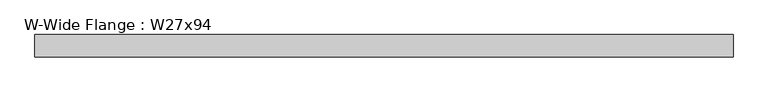
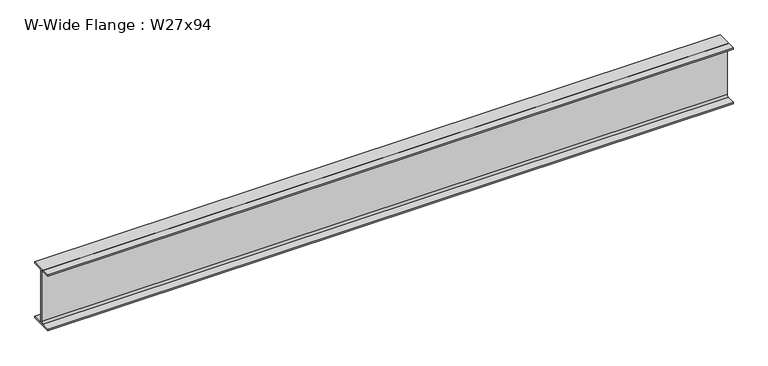
"""IFC4 building model written with IfcOpenShell, lengths in millimetres: beam geometry, W-Wide Flange : W27x94."""

from ifc_helpers import new_model, si_unit, point, frame, frame_2d, origin, place, context, project, spatial, polyline, circle_curve, trimmed, segment, composite_curve, outline, extrude, source, transform, mapped, element, save


def w_wide_flange_w27x94_6d8a43d0(model_context):
    return source(origin(), model_context, "Body", "SweptSolid", [
        extrude(outline(composite_curve([segment(polyline([(127.0, -322.707), (127.0, -341.63), (-127.0, -341.63), (-127.0, -322.707), (-28.575, -322.707)]), True, "CONTINUOUS"), segment(trimmed(circle_curve(frame_2d((-28.575, -300.355)), 22.352), [point((-28.575, -322.707))], [point((-6.223, -300.355))], True, "CARTESIAN"), True, "CONTINUOUS"), segment(polyline([(-6.223, -300.355), (-6.223, 300.355)]), True, "CONTINUOUS"), segment(trimmed(circle_curve(frame_2d((-28.575, 300.355)), 22.352), [point((-6.223, 300.355))], [point((-28.575, 322.707))], True, "CARTESIAN"), True, "CONTINUOUS"), segment(polyline([(-28.575, 322.707), (-127.0, 322.707), (-127.0, 341.63), (127.0, 341.63), (127.0, 322.707), (28.575, 322.707)]), True, "CONTINUOUS"), segment(trimmed(circle_curve(frame_2d((28.575, 300.355)), 22.352), [point((28.575, 322.707))], [point((6.223, 300.355))], True, "CARTESIAN"), True, "CONTINUOUS"), segment(polyline([(6.223, 300.355), (6.223, -300.355)]), True, "CONTINUOUS"), segment(trimmed(circle_curve(frame_2d((28.575, -300.355)), 22.352), [point((6.223, -300.355))], [point((28.575, -322.707))], True, "CARTESIAN"), True, "CONTINUOUS"), segment(polyline([(28.575, -322.707), (127.0, -322.707)]), True, "CONTINUOUS")], self_intersect=False)), frame((-3975.1, 0.0, 0.0), z_axis=(1.0, 0.0, 0.0), x_axis=(0.0, 1.0, 0.0)), (0.0, 0.0, 1.0), 7896.86),
    ])


if __name__ == "__main__":
    model = new_model("IFC4")
    model_context = context("Model", 3, world=origin())
    ifc_project = project(units=[si_unit("LENGTHUNIT", "METRE", prefix="MILLI")], contexts=[model_context])
    site = spatial("IfcSite", under=ifc_project)
    building = spatial("IfcBuilding", under=site)
    placement = place(None, origin())
    w_wide_flange_w27x94_shape = w_wide_flange_w27x94_6d8a43d0(model_context)
    element("IfcBeam", 1, ObjectType="W-Wide Flange : W27x94", at=placement, inside=building, context=model_context, shape_type="MappedRepresentation", body=[
        mapped(w_wide_flange_w27x94_shape, transform((0.0, 0.0, 0.0), x_axis=(1.0, 0.0, 0.0), y_axis=(0.0, 1.0, 0.0), z_axis=(0.0, 0.0, 1.0))),
    ])
    save(model, "model.ifc")
